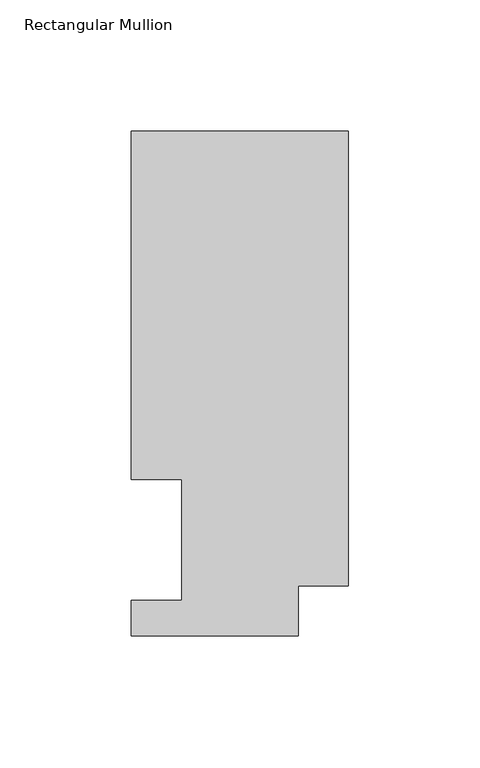
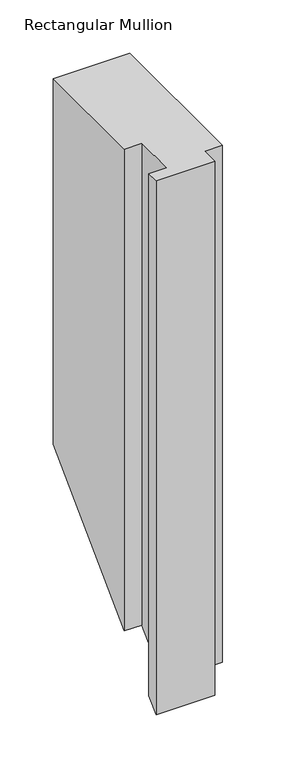
"""IFC4 building model written with IfcOpenShell, lengths in millimetres: member geometry, Rectangular Mullion."""

from ifc_helpers import new_model, si_unit, origin, place, context, project, spatial, faceted_brep, source, transform, mapped, element, save


def rectangular_mullion_40b773ab(model_context):
    return source(origin(), model_context, "Body", "Brep", [
        faceted_brep([(-82.55, 192.09385, 0.0), (-82.55, 59.53125, 0.0), (-63.5, 59.53125, 0.0), (-63.5, 13.50645, 0.0), (-82.55, 13.50645, 0.0), (-82.55, 0.04445, 0.0), (-19.05, 0.04445, 0.0), (-19.05, 19.06905, 0.0), (0.0, 19.06905, 0.0), (0.0, 192.09385, 0.0), (-82.55, 192.09385, -417.50615), (-82.55, 59.53125, -550.06875), (-63.5, 59.53125, -550.06875), (-63.5, 13.50645, -596.09355), (-82.55, 13.50645, -596.09355), (-82.55, 0.04445, -609.55555), (-19.05, 0.04445, -609.55555), (-19.05, 19.06905, -590.53095), (0.0, 19.06905, -590.53095), (0.0, 192.09385, -417.50615)], [[[0, 1, 2, 3, 4, 5, 6, 7, 8, 9]], [[1, 0, 10, 11]], [[2, 1, 11, 12]], [[3, 2, 12, 13]], [[4, 3, 13, 14]], [[5, 4, 14, 15]], [[6, 5, 15, 16]], [[7, 6, 16, 17]], [[8, 7, 17, 18]], [[9, 8, 18, 19]], [[0, 9, 19, 10]], [[10, 19, 18, 17, 16, 15, 14, 13, 12, 11]]]),
    ])


if __name__ == "__main__":
    model = new_model("IFC4")
    model_context = context("Model", 3, world=origin())
    ifc_project = project(units=[si_unit("LENGTHUNIT", "METRE", prefix="MILLI")], contexts=[model_context])
    site = spatial("IfcSite", under=ifc_project)
    building = spatial("IfcBuilding", under=site)
    placement = place(None, origin())
    rectangular_mullion_shape = rectangular_mullion_40b773ab(model_context)
    element("IfcMember", 1, ObjectType="Rectangular Mullion", at=placement, inside=building, context=model_context, shape_type="MappedRepresentation", body=[
        mapped(rectangular_mullion_shape, transform((0.0, 0.0, 0.0), x_axis=(1.0, 0.0, 0.0), y_axis=(0.0, 1.0, 0.0), z_axis=(0.0, 0.0, 1.0))),
    ])
    save(model, "model.ifc")
